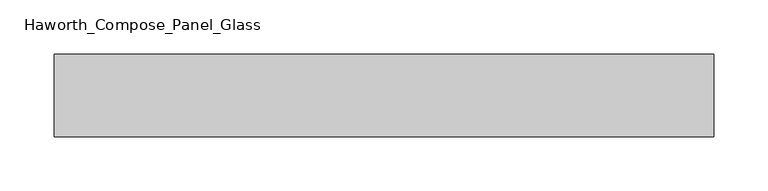
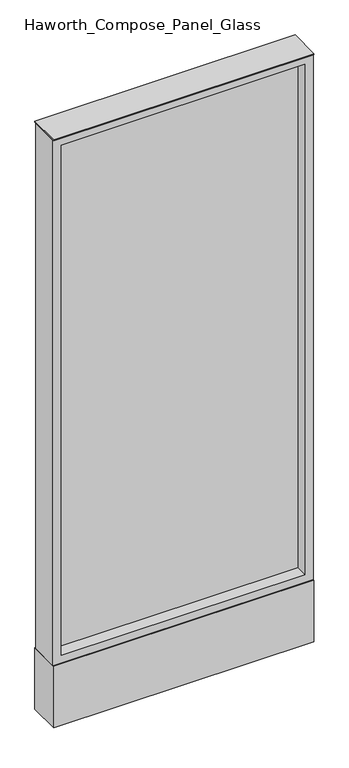
"""IFC4 building model written with IfcOpenShell, lengths in millimetres: furniture geometry, Haworth_Compose_Panel_Glass."""

from ifc_helpers import new_model, si_unit, point, frame, frame_2d, origin, origin_with_axes, place, context, project, spatial, polyline, circle_curve, trimmed, segment, composite_curve, outline, extrude, source, transform, mapped, element, save


def haworth_compose_panel_glass_79eb13bb(model_context):
    return source(origin(), model_context, "Body", "SweptSolid", [
        extrude(outline(composite_curve([segment(trimmed(circle_curve(frame_2d((231.0402902, 0.0)), 12.7), [point((218.3402902, 0.0))], [point((243.7402902, 0.0))], False, "CARTESIAN"), True, "CONTINUOUS"), segment(trimmed(circle_curve(frame_2d((231.0402902, 0.0)), 12.7), [point((243.7402902, 0.0))], [point((218.3402902, 0.0))], False, "CARTESIAN"), True, "CONTINUOUS")], self_intersect=False)), origin_with_axes(), (0.0, 0.0, 1.0), 12.7),
        extrude(outline(composite_curve([segment(trimmed(circle_curve(frame_2d((-226.1597098, 0.0)), 12.7), [point((-238.8597098, 0.0))], [point((-213.4597098, 0.0))], False, "CARTESIAN"), True, "CONTINUOUS"), segment(trimmed(circle_curve(frame_2d((-226.1597098, 0.0)), 12.7), [point((-213.4597098, 0.0))], [point((-238.8597098, 0.0))], False, "CARTESIAN"), True, "CONTINUOUS")], self_intersect=False)), origin_with_axes(), (0.0, 0.0, 1.0), 12.7),
        extrude(outline(polyline([(288.1902902, -6.35), (-283.3097098, -6.35), (-283.3097098, 6.35), (288.1902902, 6.35), (288.1902902, -6.35)])), frame((0.0, 0.0, 184.15), z_axis=(0.0, 0.0, 1.0), x_axis=(1.0, 0.0, 0.0)), (0.0, 0.0, 1.0), 1263.65),
        extrude(outline(polyline([(1466.85, -302.3597098), (165.1, -302.3597098), (165.1, 307.2402902), (1466.85, 307.2402902), (1466.85, -302.3597098)]), holes=[polyline([(1447.8, 288.1902902), (184.15, 288.1902902), (184.15, -283.3097098), (1447.8, -283.3097098), (1447.8, 288.1902902)])]), frame((0.0, -34.925, 0.0), z_axis=(0.0, 1.0, 0.0), x_axis=(0.0, 0.0, 1.0)), (0.0, 0.0, 1.0), 69.85),
        extrude(outline(polyline([(-302.3597098, 38.1), (307.2402902, 38.1), (307.2402902, -38.1), (-302.3597098, -38.1), (-302.3597098, 38.1)])), frame((0.0, 0.0, 12.7), z_axis=(0.0, 0.0, 1.0), x_axis=(1.0, 0.0, 0.0)), (0.0, 0.0, 1.0), 152.4),
        extrude(outline(polyline([(-302.3597098, -38.1), (-302.3597098, 38.1), (307.2402902, 38.1), (307.2402902, -38.1), (-302.3597098, -38.1)])), frame((0.0, 0.0, 1466.85), z_axis=(0.0, 0.0, 1.0), x_axis=(1.0, 0.0, 0.0)), (0.0, 0.0, 1.0), 3.175),
    ])


if __name__ == "__main__":
    model = new_model("IFC4")
    model_context = context("Model", 3, world=origin())
    ifc_project = project(units=[si_unit("LENGTHUNIT", "METRE", prefix="MILLI")], contexts=[model_context])
    site = spatial("IfcSite", under=ifc_project)
    building = spatial("IfcBuilding", under=site)
    placement = place(None, origin())
    haworth_compose_panel_glass_shape = haworth_compose_panel_glass_79eb13bb(model_context)
    element("IfcFurniture", 1, ObjectType="Haworth_Compose_Panel_Glass", at=placement, inside=building, context=model_context, shape_type="MappedRepresentation", body=[
        mapped(haworth_compose_panel_glass_shape, transform((0.0, 0.0, 0.0), x_axis=(1.0, 0.0, 0.0), y_axis=(0.0, 1.0, 0.0), z_axis=(0.0, 0.0, 1.0))),
    ])
    save(model, "model.ifc")
